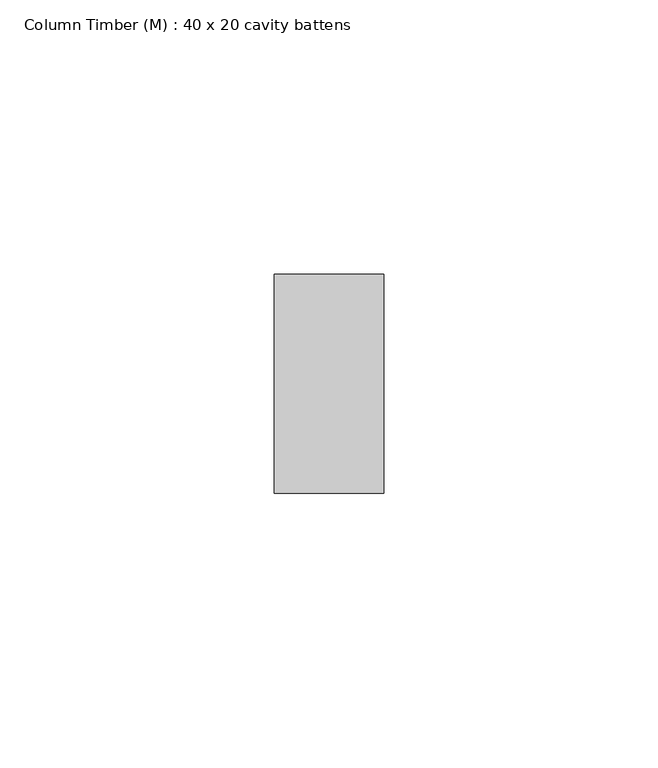
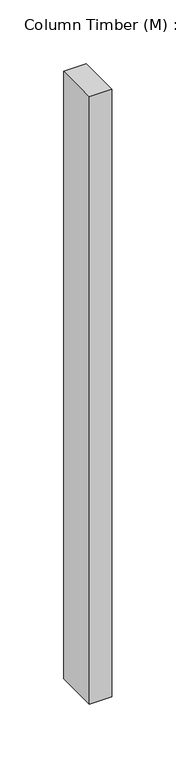
"""IFC4 building model written with IfcOpenShell, lengths in millimetres: column geometry, Column Timber (M) : 40 x 20 cavity battens."""

from ifc_helpers import new_model, si_unit, frame, origin, place, context, project, spatial, polyline, outline, extrude, source, transform, mapped, element, save


def column_timber_m_40_x_20_cavity_battens_3ca1c087(model_context):
    return source(origin(), model_context, "Body", "SweptSolid", [
        extrude(outline(polyline([(10.0, 20.0), (10.0, -20.0), (-10.0, -20.0), (-10.0, 20.0), (10.0, 20.0)])), frame((0.0, 0.0, -800.0), z_axis=(0.0, 0.0, 1.0), x_axis=(1.0, 0.0, 0.0)), (0.0, 0.0, 1.0), 580.0),
    ])


if __name__ == "__main__":
    model = new_model("IFC4")
    model_context = context("Model", 3, world=origin())
    ifc_project = project(units=[si_unit("LENGTHUNIT", "METRE", prefix="MILLI")], contexts=[model_context])
    site = spatial("IfcSite", under=ifc_project)
    building = spatial("IfcBuilding", under=site)
    placement = place(None, origin())
    column_timber_m_40_x_20_cavity_battens_shape = column_timber_m_40_x_20_cavity_battens_3ca1c087(model_context)
    element("IfcColumn", 1, ObjectType="Column Timber (M) : 40 x 20 cavity battens", at=placement, inside=building, context=model_context, shape_type="MappedRepresentation", body=[
        mapped(column_timber_m_40_x_20_cavity_battens_shape, transform((0.0, 0.0, 0.0), x_axis=(1.0, 0.0, 0.0), y_axis=(0.0, 1.0, 0.0), z_axis=(0.0, 0.0, 1.0))),
    ])
    save(model, "model.ifc")
